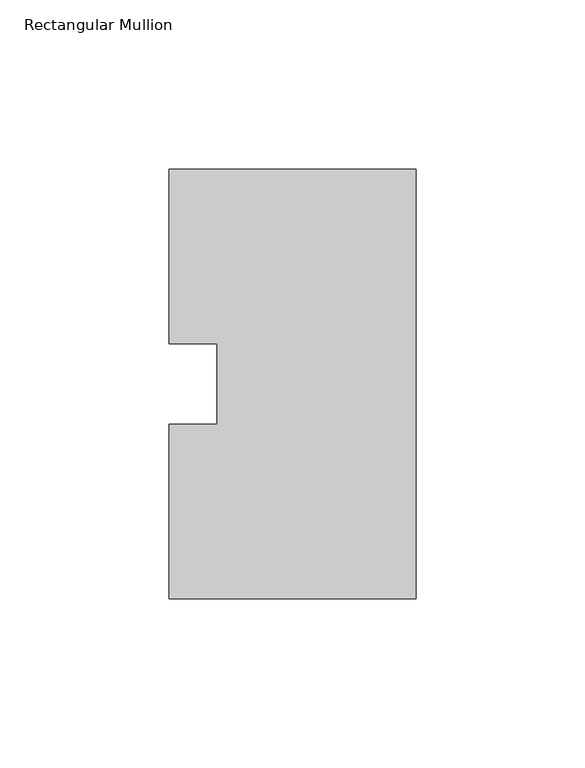
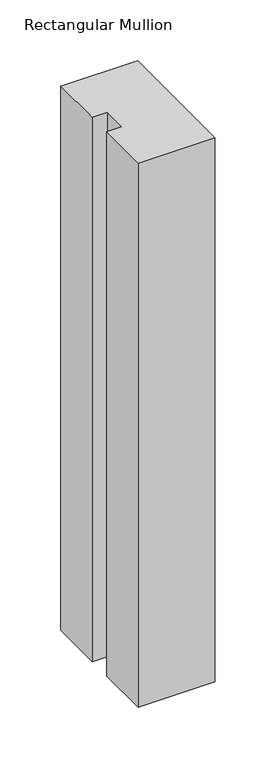
"""IFC4 building model written with IfcOpenShell, lengths in millimetres: member geometry, Rectangular Mullion."""

import ifcopenshell
import ifcopenshell.guid

model = None  # the IFC model being written
_history = None  # IfcOwnerHistory: only IFC2X3 demands one
_inside = {}  # id of a spatial element -> (the spatial element, [elements in it])
_under = {}  # id of a project, library or spatial element -> (it, [spatial elements below it])
_declared = {}  # id of a project -> (the project, [libraries it declares])
_typed = {}  # id of a type object -> (the type object, [elements of that type])
_made_of = {}  # id of a material, layer set ... -> (it, [elements and type objects made of it])


def new_model(schema):
    """Start an empty IFC model of exactly this schema.

    Asked for "IFC4X3", IfcOpenShell would pick the latest addendum, in which some entities
    have other attributes; the version numbers below select the first issue.
    IFC2X3 requires an IfcOwnerHistory on every rooted entity: one is made here for all.
    """
    global model, _history
    if schema == "IFC4X3":
        model = ifcopenshell.file(schema_version=(4, 3, 0, 0))
    else:
        model = ifcopenshell.file(schema=schema)
    _inside.clear()
    _under.clear()
    _declared.clear()
    _typed.clear()
    _made_of.clear()
    _history = None
    if model.schema == "IFC2X3":
        org = make("IfcOrganization", Name="unknown")
        user = make(
            "IfcPersonAndOrganization",
            ThePerson=make("IfcPerson", FamilyName="unknown"),
            TheOrganization=org,
        )
        app = make(
            "IfcApplication",
            ApplicationDeveloper=org,
            Version="unknown",
            ApplicationFullName="unknown",
            ApplicationIdentifier="unknown",
        )
        _history = make(
            "IfcOwnerHistory",
            OwningUser=user,
            OwningApplication=app,
            ChangeAction="ADDED",
            CreationDate=0,
        )
    return model


def make(cls, **values):
    """One entity of the class cls with the attributes given. An attribute that is None is left unset."""
    return model.create_entity(
        cls, **{name: value for name, value in values.items() if value is not None}
    )


def rooted(cls, **values):
    """An entity with a GlobalId (a new one), such as an element, a storey or a relation."""
    return make(cls, GlobalId=ifcopenshell.guid.new(), OwnerHistory=_history, **values)


def si_unit(unit_type, name, prefix=None):
    """IfcSIUnit, for example si_unit("LENGTHUNIT", "METRE", prefix="MILLI")."""
    return make("IfcSIUnit", UnitType=unit_type, Prefix=prefix, Name=name)


def assignment(units):
    """IfcUnitAssignment: the units of a project."""
    return None if units is None else make("IfcUnitAssignment", Units=units)


def point(xyz):
    """IfcCartesianPoint."""
    return None if xyz is None else make("IfcCartesianPoint", Coordinates=xyz)


def direction(xyz):
    """IfcDirection."""
    return None if xyz is None else make("IfcDirection", DirectionRatios=xyz)


def frame(location, z_axis=None, x_axis=None):
    """IfcAxis2Placement3D, a coordinate frame: its origin and axes. An axis left out is left unset."""
    return make(
        "IfcAxis2Placement3D",
        Location=point(location),
        Axis=direction(z_axis),
        RefDirection=direction(x_axis),
    )


def origin():
    """The frame at (0, 0, 0) with its axes left unset."""
    return frame((0.0, 0.0, 0.0))


def place(relative_to, where):
    """IfcLocalPlacement: puts the frame where relative to a parent placement (None: the world)."""
    return make(
        "IfcLocalPlacement", PlacementRelTo=relative_to, RelativePlacement=where
    )


def context(
    kind, dimensions, precision=None, world=None, true_north=None, identifier=None
):
    """IfcGeometricRepresentationContext, for example the 3D "Model" context."""
    return make(
        "IfcGeometricRepresentationContext",
        ContextIdentifier=identifier,
        ContextType=kind,
        CoordinateSpaceDimension=dimensions,
        Precision=precision,
        WorldCoordinateSystem=world,
        TrueNorth=true_north,
    )


def project(units=None, contexts=None):
    """IfcProject with its units and contexts."""
    return rooted(
        "IfcProject",
        Name="project",
        RepresentationContexts=contexts,
        UnitsInContext=assignment(units),
    )


def spatial(cls, under=None, at=None, **own):
    """A site, building, storey or space (cls), placed at a placement, below another one or the project."""
    s = rooted(cls, ObjectPlacement=at, **own)
    if under is not None:
        _under.setdefault(under.id(), (under, []))[1].append(s)
    return s


def polyline(points):
    """IfcPolyline through the points."""
    return make("IfcPolyline", Points=[point(p) for p in points])


def outline(outer, holes=None, kind="AREA"):
    """IfcArbitraryClosedProfileDef: a profile drawn as a closed curve; with holes, ...WithVoids."""
    if holes is None:
        return make("IfcArbitraryClosedProfileDef", ProfileType=kind, OuterCurve=outer)
    return make(
        "IfcArbitraryProfileDefWithVoids",
        ProfileType=kind,
        OuterCurve=outer,
        InnerCurves=holes,
    )


def extrude(swept, where, along, depth):
    """IfcExtrudedAreaSolid: the profile swept, set in the frame where, extruded along a direction by depth."""
    return make(
        "IfcExtrudedAreaSolid",
        SweptArea=swept,
        Position=where,
        ExtrudedDirection=direction(along),
        Depth=depth,
    )


def shape(context_of_items, identifier, shape_type, items):
    """IfcShapeRepresentation: the items that make up one representation, for example the "Body"."""
    return make(
        "IfcShapeRepresentation",
        ContextOfItems=context_of_items,
        RepresentationIdentifier=identifier,
        RepresentationType=shape_type,
        Items=items,
    )


def source(mapping_origin, context_of_items, identifier, shape_type, items):
    """IfcRepresentationMap: a shape defined once, which mapped items show again and again."""
    return make(
        "IfcRepresentationMap",
        MappingOrigin=mapping_origin,
        MappedRepresentation=shape(context_of_items, identifier, shape_type, items),
    )


def transform(
    local_origin,
    x_axis=None,
    y_axis=None,
    z_axis=None,
    scale=None,
    scale2=None,
    scale3=None,
    uniform=True,
):
    """IfcCartesianTransformationOperator3D, or its non-uniform kind. x_axis, y_axis, z_axis: its Axis1, 2, 3."""
    if uniform:
        return make(
            "IfcCartesianTransformationOperator3D",
            Axis1=direction(x_axis),
            Axis2=direction(y_axis),
            LocalOrigin=point(local_origin),
            Scale=scale,
            Axis3=direction(z_axis),
        )
    return make(
        "IfcCartesianTransformationOperator3DnonUniform",
        Axis1=direction(x_axis),
        Axis2=direction(y_axis),
        LocalOrigin=point(local_origin),
        Scale=scale,
        Axis3=direction(z_axis),
        Scale2=scale2,
        Scale3=scale3,
    )


def mapped(mapping_source, mapping_target):
    """IfcMappedItem: shows the shape of a source again, moved by a transform."""
    return make(
        "IfcMappedItem", MappingSource=mapping_source, MappingTarget=mapping_target
    )


def made_of(thing, what):
    """Note that an element or type object is made of a material, layer set ...; save() writes the relation."""
    if what is not None:
        _made_of.setdefault(what.id(), (what, []))[1].append(thing)
    return thing


def element(
    cls,
    number,
    at=None,
    inside=None,
    cuts=None,
    type_object=None,
    material=None,
    context=None,
    identifier="Body",
    shape_type=None,
    held_by="IfcProductDefinitionShape",
    body=None,
    shapes=None,
    **own,
):
    """One element of the class cls, such as IfcWall. Its Tag is "e" and its number.

    at: its placement. inside: the storey or other place that contains it. cuts: it is an
    opening in that element (IfcRelVoidsElement). A single representation is given by context,
    identifier, shape_type and body (its items); several are given by shapes. held_by: the class
    of the entity that holds the representations. save() writes the other relations.
    """
    e = rooted(cls, Tag="e%d" % number, ObjectPlacement=at, **own)
    if body is not None:
        shapes = [shape(context, identifier, shape_type, body)]
    if shapes is not None:
        e.Representation = make(held_by, Representations=shapes)
    if inside is not None:
        _inside.setdefault(inside.id(), (inside, []))[1].append(e)
    if cuts is not None:
        rooted(
            "IfcRelVoidsElement", RelatingBuildingElement=cuts, RelatedOpeningElement=e
        )
    if type_object is not None:
        _typed.setdefault(type_object.id(), (type_object, []))[1].append(e)
    return made_of(e, material)


def aggregate(whole, parts):
    """IfcRelAggregates: a whole, such as a stair, and the parts it consists of."""
    return rooted("IfcRelAggregates", RelatingObject=whole, RelatedObjects=parts)


def save(model, path):
    """Write the relations noted so far, then the file.

    IfcRelAggregates (storeys below a building ...), IfcRelContainedInSpatialStructure (elements
    in a storey), IfcRelDefinesByType, IfcRelAssociatesMaterial and IfcRelDeclares: one each for
    every whole, place, type object, material and project.
    """
    for whole, parts in _under.values():
        aggregate(whole, parts)
    for where, things in _inside.values():
        rooted(
            "IfcRelContainedInSpatialStructure",
            RelatedElements=things,
            RelatingStructure=where,
        )
    for kind, things in _typed.values():
        rooted("IfcRelDefinesByType", RelatedObjects=things, RelatingType=kind)
    for what, things in _made_of.values():
        rooted("IfcRelAssociatesMaterial", RelatedObjects=things, RelatingMaterial=what)
    for by, libraries in _declared.values():
        rooted("IfcRelDeclares", RelatingContext=by, RelatedDefinitions=libraries)
    model.write(path)


def rectangular_mullion_fc15f05b(model_context):
    return source(origin(), model_context, "Body", "SweptSolid", [
        extrude(outline(polyline([(0.0, 127.00635), (0.0, 0.00635), (-73.025, 0.00635), (-73.025, 51.60645), (-58.7375, 51.60645), (-58.7375, 75.40625), (-73.025, 75.40625), (-73.025, 127.00635), (0.0, 127.00635)])), frame((0.0, 0.0, -546.1), z_axis=(0.0, 0.0, 1.0), x_axis=(1.0, 0.0, 0.0)), (0.0, 0.0, 1.0), 546.1),
    ])


if __name__ == "__main__":
    model = new_model("IFC4")
    model_context = context("Model", 3, world=origin())
    ifc_project = project(units=[si_unit("LENGTHUNIT", "METRE", prefix="MILLI")], contexts=[model_context])
    site = spatial("IfcSite", under=ifc_project)
    building = spatial("IfcBuilding", under=site)
    placement = place(None, origin())
    rectangular_mullion_shape = rectangular_mullion_fc15f05b(model_context)
    element("IfcMember", 1, ObjectType="Rectangular Mullion", at=placement, inside=building, context=model_context, shape_type="MappedRepresentation", body=[
        mapped(rectangular_mullion_shape, transform((0.0, 0.0, 0.0), x_axis=(1.0, 0.0, 0.0), y_axis=(0.0, 1.0, 0.0), z_axis=(0.0, 0.0, 1.0))),
    ])
    save(model, "model.ifc")
